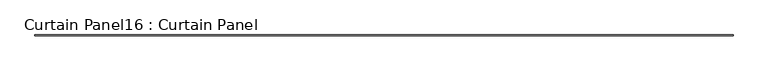
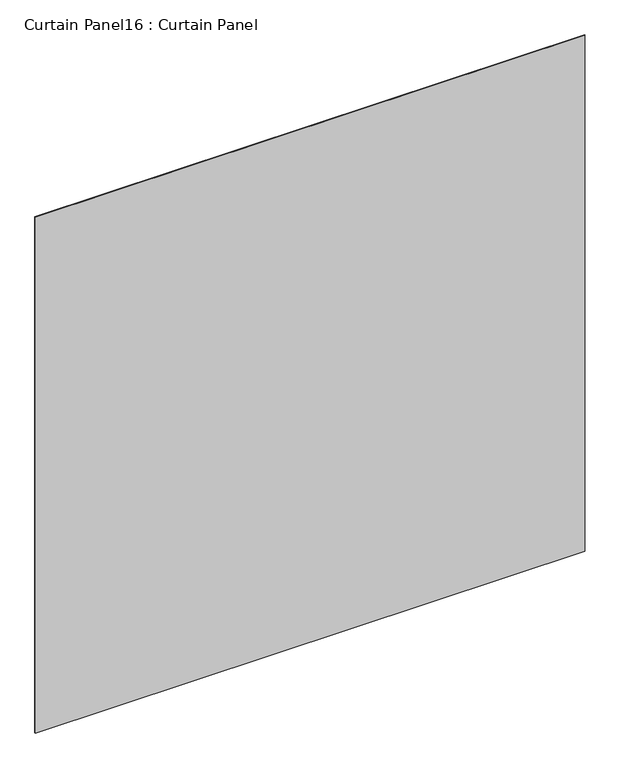
"""IFC4 building model written with IfcOpenShell, lengths in millimetres: plate geometry, Curtain Panel16 : Curtain Panel."""

import ifcopenshell
import ifcopenshell.guid

model = None  # the IFC model being written
_history = None  # IfcOwnerHistory: only IFC2X3 demands one
_inside = {}  # id of a spatial element -> (the spatial element, [elements in it])
_under = {}  # id of a project, library or spatial element -> (it, [spatial elements below it])
_declared = {}  # id of a project -> (the project, [libraries it declares])
_typed = {}  # id of a type object -> (the type object, [elements of that type])
_made_of = {}  # id of a material, layer set ... -> (it, [elements and type objects made of it])


def new_model(schema):
    """Start an empty IFC model of exactly this schema.

    Asked for "IFC4X3", IfcOpenShell would pick the latest addendum, in which some entities
    have other attributes; the version numbers below select the first issue.
    IFC2X3 requires an IfcOwnerHistory on every rooted entity: one is made here for all.
    """
    global model, _history
    if schema == "IFC4X3":
        model = ifcopenshell.file(schema_version=(4, 3, 0, 0))
    else:
        model = ifcopenshell.file(schema=schema)
    _inside.clear()
    _under.clear()
    _declared.clear()
    _typed.clear()
    _made_of.clear()
    _history = None
    if model.schema == "IFC2X3":
        org = make("IfcOrganization", Name="unknown")
        user = make(
            "IfcPersonAndOrganization",
            ThePerson=make("IfcPerson", FamilyName="unknown"),
            TheOrganization=org,
        )
        app = make(
            "IfcApplication",
            ApplicationDeveloper=org,
            Version="unknown",
            ApplicationFullName="unknown",
            ApplicationIdentifier="unknown",
        )
        _history = make(
            "IfcOwnerHistory",
            OwningUser=user,
            OwningApplication=app,
            ChangeAction="ADDED",
            CreationDate=0,
        )
    return model


def make(cls, **values):
    """One entity of the class cls with the attributes given. An attribute that is None is left unset."""
    return model.create_entity(
        cls, **{name: value for name, value in values.items() if value is not None}
    )


def rooted(cls, **values):
    """An entity with a GlobalId (a new one), such as an element, a storey or a relation."""
    return make(cls, GlobalId=ifcopenshell.guid.new(), OwnerHistory=_history, **values)


def si_unit(unit_type, name, prefix=None):
    """IfcSIUnit, for example si_unit("LENGTHUNIT", "METRE", prefix="MILLI")."""
    return make("IfcSIUnit", UnitType=unit_type, Prefix=prefix, Name=name)


def assignment(units):
    """IfcUnitAssignment: the units of a project."""
    return None if units is None else make("IfcUnitAssignment", Units=units)


def point(xyz):
    """IfcCartesianPoint."""
    return None if xyz is None else make("IfcCartesianPoint", Coordinates=xyz)


def direction(xyz):
    """IfcDirection."""
    return None if xyz is None else make("IfcDirection", DirectionRatios=xyz)


def frame(location, z_axis=None, x_axis=None):
    """IfcAxis2Placement3D, a coordinate frame: its origin and axes. An axis left out is left unset."""
    return make(
        "IfcAxis2Placement3D",
        Location=point(location),
        Axis=direction(z_axis),
        RefDirection=direction(x_axis),
    )


def origin():
    """The frame at (0, 0, 0) with its axes left unset."""
    return frame((0.0, 0.0, 0.0))


def place(relative_to, where):
    """IfcLocalPlacement: puts the frame where relative to a parent placement (None: the world)."""
    return make(
        "IfcLocalPlacement", PlacementRelTo=relative_to, RelativePlacement=where
    )


def context(
    kind, dimensions, precision=None, world=None, true_north=None, identifier=None
):
    """IfcGeometricRepresentationContext, for example the 3D "Model" context."""
    return make(
        "IfcGeometricRepresentationContext",
        ContextIdentifier=identifier,
        ContextType=kind,
        CoordinateSpaceDimension=dimensions,
        Precision=precision,
        WorldCoordinateSystem=world,
        TrueNorth=true_north,
    )


def project(units=None, contexts=None):
    """IfcProject with its units and contexts."""
    return rooted(
        "IfcProject",
        Name="project",
        RepresentationContexts=contexts,
        UnitsInContext=assignment(units),
    )


def spatial(cls, under=None, at=None, **own):
    """A site, building, storey or space (cls), placed at a placement, below another one or the project."""
    s = rooted(cls, ObjectPlacement=at, **own)
    if under is not None:
        _under.setdefault(under.id(), (under, []))[1].append(s)
    return s


def polyline(points):
    """IfcPolyline through the points."""
    return make("IfcPolyline", Points=[point(p) for p in points])


def outline(outer, holes=None, kind="AREA"):
    """IfcArbitraryClosedProfileDef: a profile drawn as a closed curve; with holes, ...WithVoids."""
    if holes is None:
        return make("IfcArbitraryClosedProfileDef", ProfileType=kind, OuterCurve=outer)
    return make(
        "IfcArbitraryProfileDefWithVoids",
        ProfileType=kind,
        OuterCurve=outer,
        InnerCurves=holes,
    )


def extrude(swept, where, along, depth):
    """IfcExtrudedAreaSolid: the profile swept, set in the frame where, extruded along a direction by depth."""
    return make(
        "IfcExtrudedAreaSolid",
        SweptArea=swept,
        Position=where,
        ExtrudedDirection=direction(along),
        Depth=depth,
    )


def shape(context_of_items, identifier, shape_type, items):
    """IfcShapeRepresentation: the items that make up one representation, for example the "Body"."""
    return make(
        "IfcShapeRepresentation",
        ContextOfItems=context_of_items,
        RepresentationIdentifier=identifier,
        RepresentationType=shape_type,
        Items=items,
    )


def source(mapping_origin, context_of_items, identifier, shape_type, items):
    """IfcRepresentationMap: a shape defined once, which mapped items show again and again."""
    return make(
        "IfcRepresentationMap",
        MappingOrigin=mapping_origin,
        MappedRepresentation=shape(context_of_items, identifier, shape_type, items),
    )


def transform(
    local_origin,
    x_axis=None,
    y_axis=None,
    z_axis=None,
    scale=None,
    scale2=None,
    scale3=None,
    uniform=True,
):
    """IfcCartesianTransformationOperator3D, or its non-uniform kind. x_axis, y_axis, z_axis: its Axis1, 2, 3."""
    if uniform:
        return make(
            "IfcCartesianTransformationOperator3D",
            Axis1=direction(x_axis),
            Axis2=direction(y_axis),
            LocalOrigin=point(local_origin),
            Scale=scale,
            Axis3=direction(z_axis),
        )
    return make(
        "IfcCartesianTransformationOperator3DnonUniform",
        Axis1=direction(x_axis),
        Axis2=direction(y_axis),
        LocalOrigin=point(local_origin),
        Scale=scale,
        Axis3=direction(z_axis),
        Scale2=scale2,
        Scale3=scale3,
    )


def mapped(mapping_source, mapping_target):
    """IfcMappedItem: shows the shape of a source again, moved by a transform."""
    return make(
        "IfcMappedItem", MappingSource=mapping_source, MappingTarget=mapping_target
    )


def made_of(thing, what):
    """Note that an element or type object is made of a material, layer set ...; save() writes the relation."""
    if what is not None:
        _made_of.setdefault(what.id(), (what, []))[1].append(thing)
    return thing


def element(
    cls,
    number,
    at=None,
    inside=None,
    cuts=None,
    type_object=None,
    material=None,
    context=None,
    identifier="Body",
    shape_type=None,
    held_by="IfcProductDefinitionShape",
    body=None,
    shapes=None,
    **own,
):
    """One element of the class cls, such as IfcWall. Its Tag is "e" and its number.

    at: its placement. inside: the storey or other place that contains it. cuts: it is an
    opening in that element (IfcRelVoidsElement). A single representation is given by context,
    identifier, shape_type and body (its items); several are given by shapes. held_by: the class
    of the entity that holds the representations. save() writes the other relations.
    """
    e = rooted(cls, Tag="e%d" % number, ObjectPlacement=at, **own)
    if body is not None:
        shapes = [shape(context, identifier, shape_type, body)]
    if shapes is not None:
        e.Representation = make(held_by, Representations=shapes)
    if inside is not None:
        _inside.setdefault(inside.id(), (inside, []))[1].append(e)
    if cuts is not None:
        rooted(
            "IfcRelVoidsElement", RelatingBuildingElement=cuts, RelatedOpeningElement=e
        )
    if type_object is not None:
        _typed.setdefault(type_object.id(), (type_object, []))[1].append(e)
    return made_of(e, material)


def aggregate(whole, parts):
    """IfcRelAggregates: a whole, such as a stair, and the parts it consists of."""
    return rooted("IfcRelAggregates", RelatingObject=whole, RelatedObjects=parts)


def save(model, path):
    """Write the relations noted so far, then the file.

    IfcRelAggregates (storeys below a building ...), IfcRelContainedInSpatialStructure (elements
    in a storey), IfcRelDefinesByType, IfcRelAssociatesMaterial and IfcRelDeclares: one each for
    every whole, place, type object, material and project.
    """
    for whole, parts in _under.values():
        aggregate(whole, parts)
    for where, things in _inside.values():
        rooted(
            "IfcRelContainedInSpatialStructure",
            RelatedElements=things,
            RelatingStructure=where,
        )
    for kind, things in _typed.values():
        rooted("IfcRelDefinesByType", RelatedObjects=things, RelatingType=kind)
    for what, things in _made_of.values():
        rooted("IfcRelAssociatesMaterial", RelatedObjects=things, RelatingMaterial=what)
    for by, libraries in _declared.values():
        rooted("IfcRelDeclares", RelatingContext=by, RelatedDefinitions=libraries)
    model.write(path)


def curtain_panel16_curtain_panel_545c10f8(model_context):
    return source(origin(), model_context, "Body", "SweptSolid", [
        extrude(outline(polyline([(477559.0315581, 2929.8761018), (471510.7518081, 2929.8761018), (471510.7518081, 2936.2261018), (477559.0315581, 2936.2261018), (477559.0315581, 2929.8761018)])), frame((0.0, 0.0, 9264.6426964), z_axis=(0.0, 0.0, 1.0), x_axis=(1.0, 0.0, 0.0)), (0.0, 0.0, 1.0), 6000.75),
    ])


if __name__ == "__main__":
    model = new_model("IFC4")
    model_context = context("Model", 3, world=origin())
    ifc_project = project(units=[si_unit("LENGTHUNIT", "METRE", prefix="MILLI")], contexts=[model_context])
    site = spatial("IfcSite", under=ifc_project)
    building = spatial("IfcBuilding", under=site)
    placement = place(None, origin())
    curtain_panel16_curtain_panel_shape = curtain_panel16_curtain_panel_545c10f8(model_context)
    element("IfcPlate", 1, ObjectType="Curtain Panel16 : Curtain Panel", at=placement, inside=building, context=model_context, shape_type="MappedRepresentation", body=[
        mapped(curtain_panel16_curtain_panel_shape, transform((0.0, 0.0, 0.0), x_axis=(1.0, 0.0, 0.0), y_axis=(0.0, 1.0, 0.0), z_axis=(0.0, 0.0, 1.0))),
    ])
    save(model, "model.ifc")
